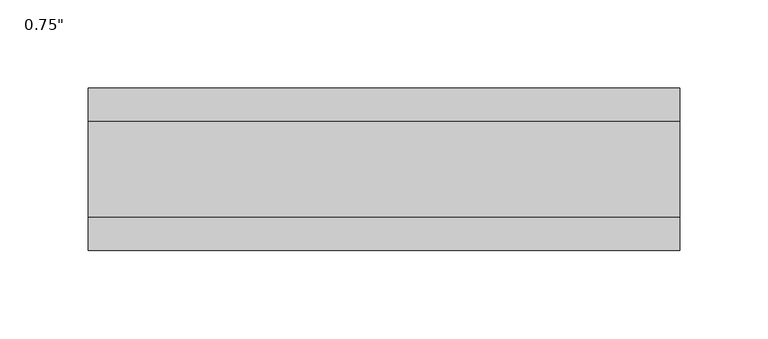
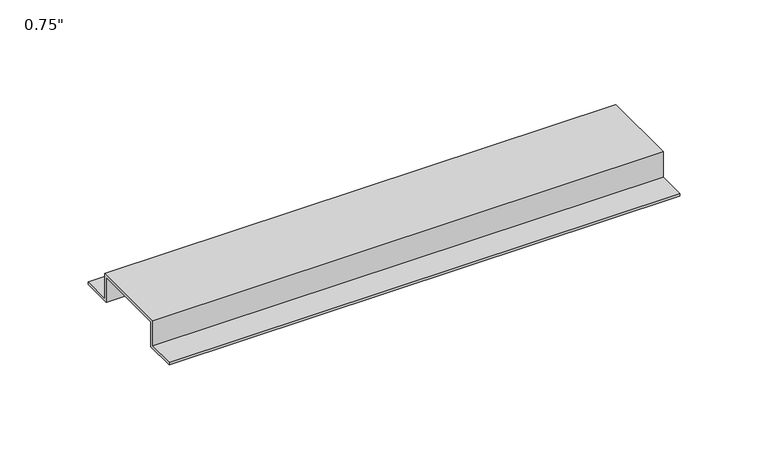
"""IFC4 building model written with IfcOpenShell, lengths in millimetres: proxy geometry."""

from ifc_helpers import new_model, si_unit, frame, origin, place, context, project, spatial, polyline, outline, extrude, source, transform, mapped, element, save


def proxy_f337c2ba(model_context):
    return source(origin(), model_context, "Body", "SweptSolid", [
        extrude(outline(polyline([(46.0559645, -17.4625), (25.4, -17.4625), (25.4, 0.0), (-25.4, 0.0), (-25.4, -17.4625), (-46.0559645, -17.4625), (-46.0559645, -15.8492), (-27.0129, -15.8492), (-27.0129, 1.6129), (27.0129, 1.6129), (27.0129, -15.8492), (46.0559645, -15.8492), (46.0559645, -17.4625)])), frame((0.0, 0.0, 0.0), z_axis=(1.0, 0.0, 0.0), x_axis=(0.0, 1.0, 0.0)), (0.0, 0.0, 1.0), 334.9625),
    ])


if __name__ == "__main__":
    model = new_model("IFC4")
    model_context = context("Model", 3, world=origin())
    ifc_project = project(units=[si_unit("LENGTHUNIT", "METRE", prefix="MILLI")], contexts=[model_context])
    site = spatial("IfcSite", under=ifc_project)
    building = spatial("IfcBuilding", under=site)
    placement = place(None, origin())
    proxy_shape = proxy_f337c2ba(model_context)
    element("IfcBuildingElementProxy", 1, Name="0.75\"", ObjectType="0.75\"", at=placement, inside=building, context=model_context, shape_type="MappedRepresentation", body=[
        mapped(proxy_shape, transform((0.0, 0.0, 0.0), x_axis=(1.0, 0.0, 0.0), y_axis=(0.0, 1.0, 0.0), z_axis=(0.0, 0.0, 1.0))),
    ])
    save(model, "model.ifc")
